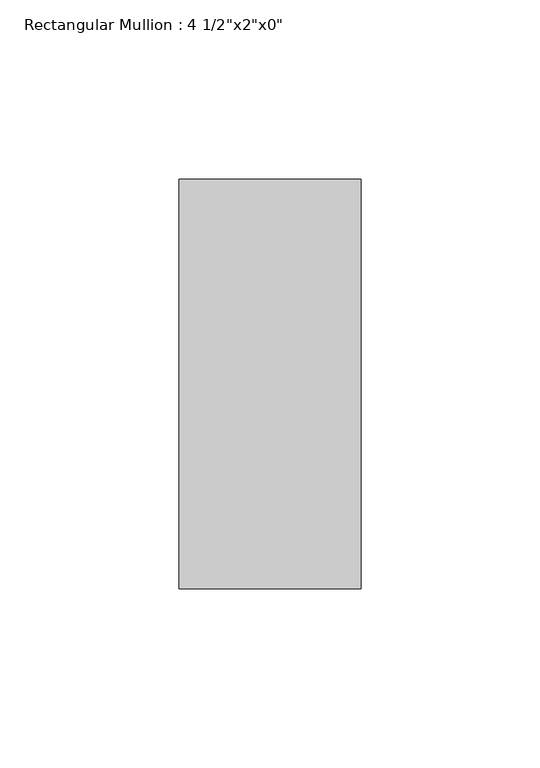
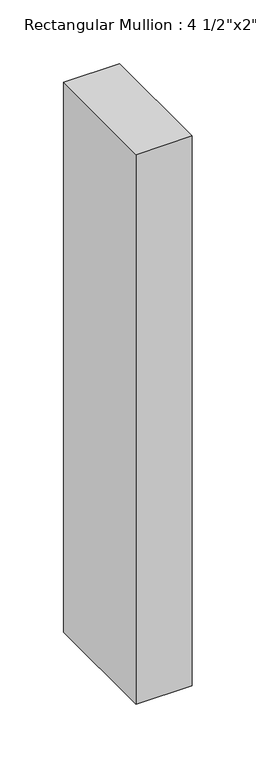
"""IFC4 building model written with IfcOpenShell, lengths in millimetres: member geometry."""

import ifcopenshell
import ifcopenshell.guid

model = None  # the IFC model being written
_history = None  # IfcOwnerHistory: only IFC2X3 demands one
_inside = {}  # id of a spatial element -> (the spatial element, [elements in it])
_under = {}  # id of a project, library or spatial element -> (it, [spatial elements below it])
_declared = {}  # id of a project -> (the project, [libraries it declares])
_typed = {}  # id of a type object -> (the type object, [elements of that type])
_made_of = {}  # id of a material, layer set ... -> (it, [elements and type objects made of it])


def new_model(schema):
    """Start an empty IFC model of exactly this schema.

    Asked for "IFC4X3", IfcOpenShell would pick the latest addendum, in which some entities
    have other attributes; the version numbers below select the first issue.
    IFC2X3 requires an IfcOwnerHistory on every rooted entity: one is made here for all.
    """
    global model, _history
    if schema == "IFC4X3":
        model = ifcopenshell.file(schema_version=(4, 3, 0, 0))
    else:
        model = ifcopenshell.file(schema=schema)
    _inside.clear()
    _under.clear()
    _declared.clear()
    _typed.clear()
    _made_of.clear()
    _history = None
    if model.schema == "IFC2X3":
        org = make("IfcOrganization", Name="unknown")
        user = make(
            "IfcPersonAndOrganization",
            ThePerson=make("IfcPerson", FamilyName="unknown"),
            TheOrganization=org,
        )
        app = make(
            "IfcApplication",
            ApplicationDeveloper=org,
            Version="unknown",
            ApplicationFullName="unknown",
            ApplicationIdentifier="unknown",
        )
        _history = make(
            "IfcOwnerHistory",
            OwningUser=user,
            OwningApplication=app,
            ChangeAction="ADDED",
            CreationDate=0,
        )
    return model


def make(cls, **values):
    """One entity of the class cls with the attributes given. An attribute that is None is left unset."""
    return model.create_entity(
        cls, **{name: value for name, value in values.items() if value is not None}
    )


def rooted(cls, **values):
    """An entity with a GlobalId (a new one), such as an element, a storey or a relation."""
    return make(cls, GlobalId=ifcopenshell.guid.new(), OwnerHistory=_history, **values)


def si_unit(unit_type, name, prefix=None):
    """IfcSIUnit, for example si_unit("LENGTHUNIT", "METRE", prefix="MILLI")."""
    return make("IfcSIUnit", UnitType=unit_type, Prefix=prefix, Name=name)


def assignment(units):
    """IfcUnitAssignment: the units of a project."""
    return None if units is None else make("IfcUnitAssignment", Units=units)


def point(xyz):
    """IfcCartesianPoint."""
    return None if xyz is None else make("IfcCartesianPoint", Coordinates=xyz)


def direction(xyz):
    """IfcDirection."""
    return None if xyz is None else make("IfcDirection", DirectionRatios=xyz)


def frame(location, z_axis=None, x_axis=None):
    """IfcAxis2Placement3D, a coordinate frame: its origin and axes. An axis left out is left unset."""
    return make(
        "IfcAxis2Placement3D",
        Location=point(location),
        Axis=direction(z_axis),
        RefDirection=direction(x_axis),
    )


def origin():
    """The frame at (0, 0, 0) with its axes left unset."""
    return frame((0.0, 0.0, 0.0))


def place(relative_to, where):
    """IfcLocalPlacement: puts the frame where relative to a parent placement (None: the world)."""
    return make(
        "IfcLocalPlacement", PlacementRelTo=relative_to, RelativePlacement=where
    )


def context(
    kind, dimensions, precision=None, world=None, true_north=None, identifier=None
):
    """IfcGeometricRepresentationContext, for example the 3D "Model" context."""
    return make(
        "IfcGeometricRepresentationContext",
        ContextIdentifier=identifier,
        ContextType=kind,
        CoordinateSpaceDimension=dimensions,
        Precision=precision,
        WorldCoordinateSystem=world,
        TrueNorth=true_north,
    )


def project(units=None, contexts=None):
    """IfcProject with its units and contexts."""
    return rooted(
        "IfcProject",
        Name="project",
        RepresentationContexts=contexts,
        UnitsInContext=assignment(units),
    )


def spatial(cls, under=None, at=None, **own):
    """A site, building, storey or space (cls), placed at a placement, below another one or the project."""
    s = rooted(cls, ObjectPlacement=at, **own)
    if under is not None:
        _under.setdefault(under.id(), (under, []))[1].append(s)
    return s


def polyline(points):
    """IfcPolyline through the points."""
    return make("IfcPolyline", Points=[point(p) for p in points])


def outline(outer, holes=None, kind="AREA"):
    """IfcArbitraryClosedProfileDef: a profile drawn as a closed curve; with holes, ...WithVoids."""
    if holes is None:
        return make("IfcArbitraryClosedProfileDef", ProfileType=kind, OuterCurve=outer)
    return make(
        "IfcArbitraryProfileDefWithVoids",
        ProfileType=kind,
        OuterCurve=outer,
        InnerCurves=holes,
    )


def extrude(swept, where, along, depth):
    """IfcExtrudedAreaSolid: the profile swept, set in the frame where, extruded along a direction by depth."""
    return make(
        "IfcExtrudedAreaSolid",
        SweptArea=swept,
        Position=where,
        ExtrudedDirection=direction(along),
        Depth=depth,
    )


def shape(context_of_items, identifier, shape_type, items):
    """IfcShapeRepresentation: the items that make up one representation, for example the "Body"."""
    return make(
        "IfcShapeRepresentation",
        ContextOfItems=context_of_items,
        RepresentationIdentifier=identifier,
        RepresentationType=shape_type,
        Items=items,
    )


def source(mapping_origin, context_of_items, identifier, shape_type, items):
    """IfcRepresentationMap: a shape defined once, which mapped items show again and again."""
    return make(
        "IfcRepresentationMap",
        MappingOrigin=mapping_origin,
        MappedRepresentation=shape(context_of_items, identifier, shape_type, items),
    )


def transform(
    local_origin,
    x_axis=None,
    y_axis=None,
    z_axis=None,
    scale=None,
    scale2=None,
    scale3=None,
    uniform=True,
):
    """IfcCartesianTransformationOperator3D, or its non-uniform kind. x_axis, y_axis, z_axis: its Axis1, 2, 3."""
    if uniform:
        return make(
            "IfcCartesianTransformationOperator3D",
            Axis1=direction(x_axis),
            Axis2=direction(y_axis),
            LocalOrigin=point(local_origin),
            Scale=scale,
            Axis3=direction(z_axis),
        )
    return make(
        "IfcCartesianTransformationOperator3DnonUniform",
        Axis1=direction(x_axis),
        Axis2=direction(y_axis),
        LocalOrigin=point(local_origin),
        Scale=scale,
        Axis3=direction(z_axis),
        Scale2=scale2,
        Scale3=scale3,
    )


def mapped(mapping_source, mapping_target):
    """IfcMappedItem: shows the shape of a source again, moved by a transform."""
    return make(
        "IfcMappedItem", MappingSource=mapping_source, MappingTarget=mapping_target
    )


def made_of(thing, what):
    """Note that an element or type object is made of a material, layer set ...; save() writes the relation."""
    if what is not None:
        _made_of.setdefault(what.id(), (what, []))[1].append(thing)
    return thing


def element(
    cls,
    number,
    at=None,
    inside=None,
    cuts=None,
    type_object=None,
    material=None,
    context=None,
    identifier="Body",
    shape_type=None,
    held_by="IfcProductDefinitionShape",
    body=None,
    shapes=None,
    **own,
):
    """One element of the class cls, such as IfcWall. Its Tag is "e" and its number.

    at: its placement. inside: the storey or other place that contains it. cuts: it is an
    opening in that element (IfcRelVoidsElement). A single representation is given by context,
    identifier, shape_type and body (its items); several are given by shapes. held_by: the class
    of the entity that holds the representations. save() writes the other relations.
    """
    e = rooted(cls, Tag="e%d" % number, ObjectPlacement=at, **own)
    if body is not None:
        shapes = [shape(context, identifier, shape_type, body)]
    if shapes is not None:
        e.Representation = make(held_by, Representations=shapes)
    if inside is not None:
        _inside.setdefault(inside.id(), (inside, []))[1].append(e)
    if cuts is not None:
        rooted(
            "IfcRelVoidsElement", RelatingBuildingElement=cuts, RelatedOpeningElement=e
        )
    if type_object is not None:
        _typed.setdefault(type_object.id(), (type_object, []))[1].append(e)
    return made_of(e, material)


def aggregate(whole, parts):
    """IfcRelAggregates: a whole, such as a stair, and the parts it consists of."""
    return rooted("IfcRelAggregates", RelatingObject=whole, RelatedObjects=parts)


def save(model, path):
    """Write the relations noted so far, then the file.

    IfcRelAggregates (storeys below a building ...), IfcRelContainedInSpatialStructure (elements
    in a storey), IfcRelDefinesByType, IfcRelAssociatesMaterial and IfcRelDeclares: one each for
    every whole, place, type object, material and project.
    """
    for whole, parts in _under.values():
        aggregate(whole, parts)
    for where, things in _inside.values():
        rooted(
            "IfcRelContainedInSpatialStructure",
            RelatedElements=things,
            RelatingStructure=where,
        )
    for kind, things in _typed.values():
        rooted("IfcRelDefinesByType", RelatedObjects=things, RelatingType=kind)
    for what, things in _made_of.values():
        rooted("IfcRelAssociatesMaterial", RelatedObjects=things, RelatingMaterial=what)
    for by, libraries in _declared.values():
        rooted("IfcRelDeclares", RelatingContext=by, RelatedDefinitions=libraries)
    model.write(path)


def member_739d4747(model_context):
    return source(origin(), model_context, "Body", "SweptSolid", [
        extrude(outline(polyline([(0.0, 57.15), (0.0, -57.15), (-50.8, -57.15), (-50.8, 57.15), (0.0, 57.15)])), frame((0.0, 0.0, -527.05), z_axis=(0.0, 0.0, 1.0), x_axis=(1.0, 0.0, 0.0)), (0.0, 0.0, 1.0), 527.05),
    ])


if __name__ == "__main__":
    model = new_model("IFC4")
    model_context = context("Model", 3, world=origin())
    ifc_project = project(units=[si_unit("LENGTHUNIT", "METRE", prefix="MILLI")], contexts=[model_context])
    site = spatial("IfcSite", under=ifc_project)
    building = spatial("IfcBuilding", under=site)
    placement = place(None, origin())
    member_shape = member_739d4747(model_context)
    element("IfcMember", 1, ObjectType="Rectangular Mullion : 4 1/2\"x2\"x0\"", at=placement, inside=building, context=model_context, shape_type="MappedRepresentation", body=[
        mapped(member_shape, transform((0.0, 0.0, 0.0), x_axis=(1.0, 0.0, 0.0), y_axis=(0.0, 1.0, 0.0), z_axis=(0.0, 0.0, 1.0))),
    ])
    save(model, "model.ifc")
